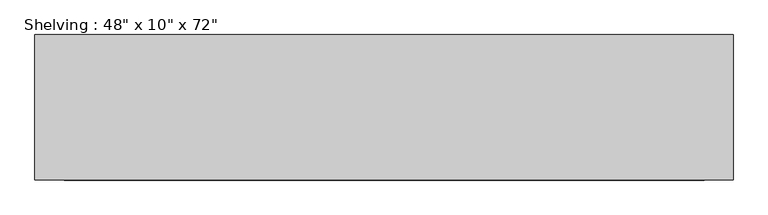
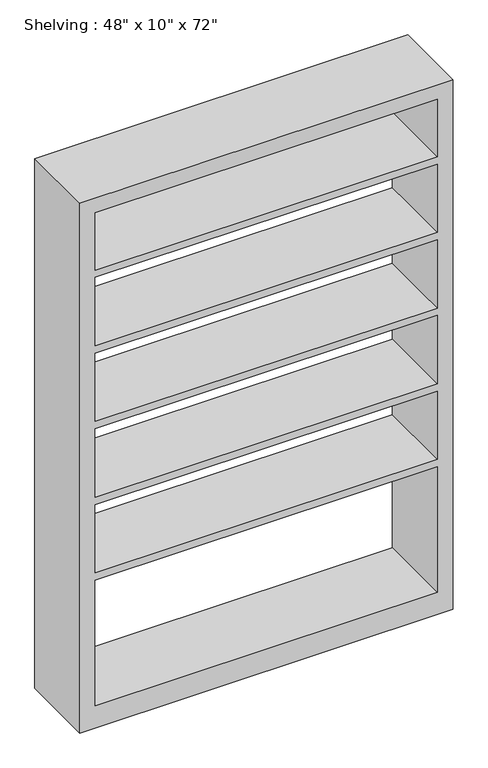
"""IFC4 building model written with IfcOpenShell, lengths in millimetres: furniture geometry."""

from ifc_helpers import new_model, si_unit, frame, origin, place, context, project, spatial, polyline, outline, extrude, source, transform, mapped, element, save


def furniture_ff3434bb(model_context):
    return source(origin(), model_context, "Body", "SweptSolid", [
        extrude(outline(polyline([(0.0, 609.6), (1828.8, 609.6), (1828.8, -609.6), (0.0, -609.6), (0.0, 609.6)]), holes=[polyline([(1778.0, 558.8), (1580.2428571, 558.8), (1580.2428571, -558.8), (1778.0, -558.8), (1778.0, 558.8)]), polyline([(76.2, 558.8), (76.2, -558.8), (509.8142857, -558.8), (509.8142857, 558.8), (76.2, 558.8)]), polyline([(1057.7285714, -558.8), (1293.5857143, -558.8), (1293.5857143, 558.8), (1057.7285714, 558.8), (1057.7285714, -558.8)]), polyline([(1554.8428571, 558.8), (1318.9857143, 558.8), (1318.9857143, -558.8), (1554.8428571, -558.8), (1554.8428571, 558.8)]), polyline([(1032.3285714, 558.8), (796.4714286, 558.8), (796.4714286, -558.8), (1032.3285714, -558.8), (1032.3285714, 558.8)]), polyline([(771.0714286, 558.8), (535.2142857, 558.8), (535.2142857, -558.8), (771.0714286, -558.8), (771.0714286, 558.8)])]), frame((0.0, 177.8, 0.0), z_axis=(0.0, 1.0, 0.0), x_axis=(0.0, 0.0, 1.0)), (0.0, 0.0, 1.0), 254.0),
    ])


if __name__ == "__main__":
    model = new_model("IFC4")
    model_context = context("Model", 3, world=origin())
    ifc_project = project(units=[si_unit("LENGTHUNIT", "METRE", prefix="MILLI")], contexts=[model_context])
    site = spatial("IfcSite", under=ifc_project)
    building = spatial("IfcBuilding", under=site)
    placement = place(None, origin())
    furniture_shape = furniture_ff3434bb(model_context)
    element("IfcFurniture", 1, ObjectType="Shelving : 48\" x 10\" x 72\"", at=placement, inside=building, context=model_context, shape_type="MappedRepresentation", body=[
        mapped(furniture_shape, transform((0.0, 0.0, 0.0), x_axis=(1.0, 0.0, 0.0), y_axis=(0.0, 1.0, 0.0), z_axis=(0.0, 0.0, 1.0))),
    ])
    save(model, "model.ifc")
